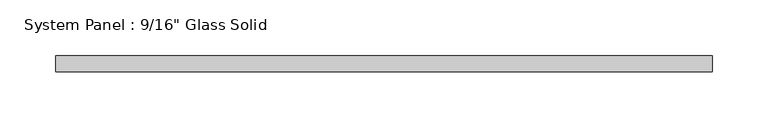
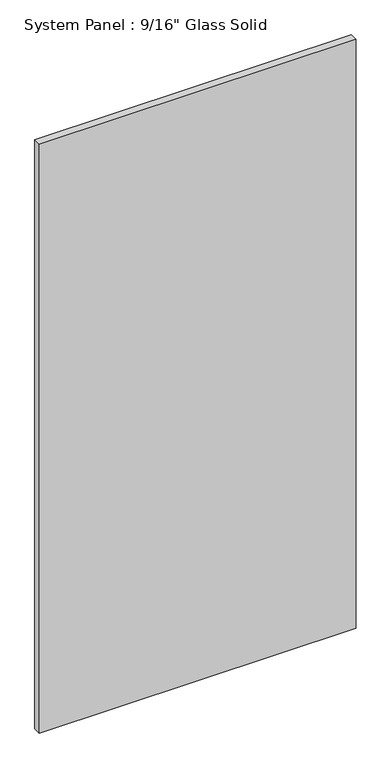
"""IFC4 building model written with IfcOpenShell, lengths in millimetres: plate geometry."""

import ifcopenshell
import ifcopenshell.guid

model = None  # the IFC model being written
_history = None  # IfcOwnerHistory: only IFC2X3 demands one
_inside = {}  # id of a spatial element -> (the spatial element, [elements in it])
_under = {}  # id of a project, library or spatial element -> (it, [spatial elements below it])
_declared = {}  # id of a project -> (the project, [libraries it declares])
_typed = {}  # id of a type object -> (the type object, [elements of that type])
_made_of = {}  # id of a material, layer set ... -> (it, [elements and type objects made of it])


def new_model(schema):
    """Start an empty IFC model of exactly this schema.

    Asked for "IFC4X3", IfcOpenShell would pick the latest addendum, in which some entities
    have other attributes; the version numbers below select the first issue.
    IFC2X3 requires an IfcOwnerHistory on every rooted entity: one is made here for all.
    """
    global model, _history
    if schema == "IFC4X3":
        model = ifcopenshell.file(schema_version=(4, 3, 0, 0))
    else:
        model = ifcopenshell.file(schema=schema)
    _inside.clear()
    _under.clear()
    _declared.clear()
    _typed.clear()
    _made_of.clear()
    _history = None
    if model.schema == "IFC2X3":
        org = make("IfcOrganization", Name="unknown")
        user = make(
            "IfcPersonAndOrganization",
            ThePerson=make("IfcPerson", FamilyName="unknown"),
            TheOrganization=org,
        )
        app = make(
            "IfcApplication",
            ApplicationDeveloper=org,
            Version="unknown",
            ApplicationFullName="unknown",
            ApplicationIdentifier="unknown",
        )
        _history = make(
            "IfcOwnerHistory",
            OwningUser=user,
            OwningApplication=app,
            ChangeAction="ADDED",
            CreationDate=0,
        )
    return model


def make(cls, **values):
    """One entity of the class cls with the attributes given. An attribute that is None is left unset."""
    return model.create_entity(
        cls, **{name: value for name, value in values.items() if value is not None}
    )


def rooted(cls, **values):
    """An entity with a GlobalId (a new one), such as an element, a storey or a relation."""
    return make(cls, GlobalId=ifcopenshell.guid.new(), OwnerHistory=_history, **values)


def si_unit(unit_type, name, prefix=None):
    """IfcSIUnit, for example si_unit("LENGTHUNIT", "METRE", prefix="MILLI")."""
    return make("IfcSIUnit", UnitType=unit_type, Prefix=prefix, Name=name)


def assignment(units):
    """IfcUnitAssignment: the units of a project."""
    return None if units is None else make("IfcUnitAssignment", Units=units)


def point(xyz):
    """IfcCartesianPoint."""
    return None if xyz is None else make("IfcCartesianPoint", Coordinates=xyz)


def direction(xyz):
    """IfcDirection."""
    return None if xyz is None else make("IfcDirection", DirectionRatios=xyz)


def frame(location, z_axis=None, x_axis=None):
    """IfcAxis2Placement3D, a coordinate frame: its origin and axes. An axis left out is left unset."""
    return make(
        "IfcAxis2Placement3D",
        Location=point(location),
        Axis=direction(z_axis),
        RefDirection=direction(x_axis),
    )


def origin():
    """The frame at (0, 0, 0) with its axes left unset."""
    return frame((0.0, 0.0, 0.0))


def origin_with_axes():
    """The frame at (0, 0, 0) with the z axis (0, 0, 1) and the x axis (1, 0, 0) written out."""
    return frame((0.0, 0.0, 0.0), z_axis=(0.0, 0.0, 1.0), x_axis=(1.0, 0.0, 0.0))


def place(relative_to, where):
    """IfcLocalPlacement: puts the frame where relative to a parent placement (None: the world)."""
    return make(
        "IfcLocalPlacement", PlacementRelTo=relative_to, RelativePlacement=where
    )


def context(
    kind, dimensions, precision=None, world=None, true_north=None, identifier=None
):
    """IfcGeometricRepresentationContext, for example the 3D "Model" context."""
    return make(
        "IfcGeometricRepresentationContext",
        ContextIdentifier=identifier,
        ContextType=kind,
        CoordinateSpaceDimension=dimensions,
        Precision=precision,
        WorldCoordinateSystem=world,
        TrueNorth=true_north,
    )


def project(units=None, contexts=None):
    """IfcProject with its units and contexts."""
    return rooted(
        "IfcProject",
        Name="project",
        RepresentationContexts=contexts,
        UnitsInContext=assignment(units),
    )


def spatial(cls, under=None, at=None, **own):
    """A site, building, storey or space (cls), placed at a placement, below another one or the project."""
    s = rooted(cls, ObjectPlacement=at, **own)
    if under is not None:
        _under.setdefault(under.id(), (under, []))[1].append(s)
    return s


def polyline(points):
    """IfcPolyline through the points."""
    return make("IfcPolyline", Points=[point(p) for p in points])


def outline(outer, holes=None, kind="AREA"):
    """IfcArbitraryClosedProfileDef: a profile drawn as a closed curve; with holes, ...WithVoids."""
    if holes is None:
        return make("IfcArbitraryClosedProfileDef", ProfileType=kind, OuterCurve=outer)
    return make(
        "IfcArbitraryProfileDefWithVoids",
        ProfileType=kind,
        OuterCurve=outer,
        InnerCurves=holes,
    )


def extrude(swept, where, along, depth):
    """IfcExtrudedAreaSolid: the profile swept, set in the frame where, extruded along a direction by depth."""
    return make(
        "IfcExtrudedAreaSolid",
        SweptArea=swept,
        Position=where,
        ExtrudedDirection=direction(along),
        Depth=depth,
    )


def shape(context_of_items, identifier, shape_type, items):
    """IfcShapeRepresentation: the items that make up one representation, for example the "Body"."""
    return make(
        "IfcShapeRepresentation",
        ContextOfItems=context_of_items,
        RepresentationIdentifier=identifier,
        RepresentationType=shape_type,
        Items=items,
    )


def source(mapping_origin, context_of_items, identifier, shape_type, items):
    """IfcRepresentationMap: a shape defined once, which mapped items show again and again."""
    return make(
        "IfcRepresentationMap",
        MappingOrigin=mapping_origin,
        MappedRepresentation=shape(context_of_items, identifier, shape_type, items),
    )


def transform(
    local_origin,
    x_axis=None,
    y_axis=None,
    z_axis=None,
    scale=None,
    scale2=None,
    scale3=None,
    uniform=True,
):
    """IfcCartesianTransformationOperator3D, or its non-uniform kind. x_axis, y_axis, z_axis: its Axis1, 2, 3."""
    if uniform:
        return make(
            "IfcCartesianTransformationOperator3D",
            Axis1=direction(x_axis),
            Axis2=direction(y_axis),
            LocalOrigin=point(local_origin),
            Scale=scale,
            Axis3=direction(z_axis),
        )
    return make(
        "IfcCartesianTransformationOperator3DnonUniform",
        Axis1=direction(x_axis),
        Axis2=direction(y_axis),
        LocalOrigin=point(local_origin),
        Scale=scale,
        Axis3=direction(z_axis),
        Scale2=scale2,
        Scale3=scale3,
    )


def mapped(mapping_source, mapping_target):
    """IfcMappedItem: shows the shape of a source again, moved by a transform."""
    return make(
        "IfcMappedItem", MappingSource=mapping_source, MappingTarget=mapping_target
    )


def made_of(thing, what):
    """Note that an element or type object is made of a material, layer set ...; save() writes the relation."""
    if what is not None:
        _made_of.setdefault(what.id(), (what, []))[1].append(thing)
    return thing


def element(
    cls,
    number,
    at=None,
    inside=None,
    cuts=None,
    type_object=None,
    material=None,
    context=None,
    identifier="Body",
    shape_type=None,
    held_by="IfcProductDefinitionShape",
    body=None,
    shapes=None,
    **own,
):
    """One element of the class cls, such as IfcWall. Its Tag is "e" and its number.

    at: its placement. inside: the storey or other place that contains it. cuts: it is an
    opening in that element (IfcRelVoidsElement). A single representation is given by context,
    identifier, shape_type and body (its items); several are given by shapes. held_by: the class
    of the entity that holds the representations. save() writes the other relations.
    """
    e = rooted(cls, Tag="e%d" % number, ObjectPlacement=at, **own)
    if body is not None:
        shapes = [shape(context, identifier, shape_type, body)]
    if shapes is not None:
        e.Representation = make(held_by, Representations=shapes)
    if inside is not None:
        _inside.setdefault(inside.id(), (inside, []))[1].append(e)
    if cuts is not None:
        rooted(
            "IfcRelVoidsElement", RelatingBuildingElement=cuts, RelatedOpeningElement=e
        )
    if type_object is not None:
        _typed.setdefault(type_object.id(), (type_object, []))[1].append(e)
    return made_of(e, material)


def aggregate(whole, parts):
    """IfcRelAggregates: a whole, such as a stair, and the parts it consists of."""
    return rooted("IfcRelAggregates", RelatingObject=whole, RelatedObjects=parts)


def save(model, path):
    """Write the relations noted so far, then the file.

    IfcRelAggregates (storeys below a building ...), IfcRelContainedInSpatialStructure (elements
    in a storey), IfcRelDefinesByType, IfcRelAssociatesMaterial and IfcRelDeclares: one each for
    every whole, place, type object, material and project.
    """
    for whole, parts in _under.values():
        aggregate(whole, parts)
    for where, things in _inside.values():
        rooted(
            "IfcRelContainedInSpatialStructure",
            RelatedElements=things,
            RelatingStructure=where,
        )
    for kind, things in _typed.values():
        rooted("IfcRelDefinesByType", RelatedObjects=things, RelatingType=kind)
    for what, things in _made_of.values():
        rooted("IfcRelAssociatesMaterial", RelatedObjects=things, RelatingMaterial=what)
    for by, libraries in _declared.values():
        rooted("IfcRelDeclares", RelatingContext=by, RelatedDefinitions=libraries)
    model.write(path)


def plate_97b47963(model_context):
    return source(origin(), model_context, "Body", "SweptSolid", [
        extrude(outline(polyline([(293.6883852, -7.14375), (-293.6883852, -7.14375), (-293.6883852, 7.14375), (293.6883852, 7.14375), (293.6883852, -7.14375)])), origin_with_axes(), (0.0, 0.0, 1.0), 1154.5441382),
    ])


if __name__ == "__main__":
    model = new_model("IFC4")
    model_context = context("Model", 3, world=origin())
    ifc_project = project(units=[si_unit("LENGTHUNIT", "METRE", prefix="MILLI")], contexts=[model_context])
    site = spatial("IfcSite", under=ifc_project)
    building = spatial("IfcBuilding", under=site)
    placement = place(None, origin())
    plate_shape = plate_97b47963(model_context)
    element("IfcPlate", 1, ObjectType="System Panel : 9/16\" Glass Solid", at=placement, inside=building, context=model_context, shape_type="MappedRepresentation", body=[
        mapped(plate_shape, transform((0.0, 0.0, 0.0), x_axis=(1.0, 0.0, 0.0), y_axis=(0.0, 1.0, 0.0), z_axis=(0.0, 0.0, 1.0))),
    ])
    save(model, "model.ifc")
